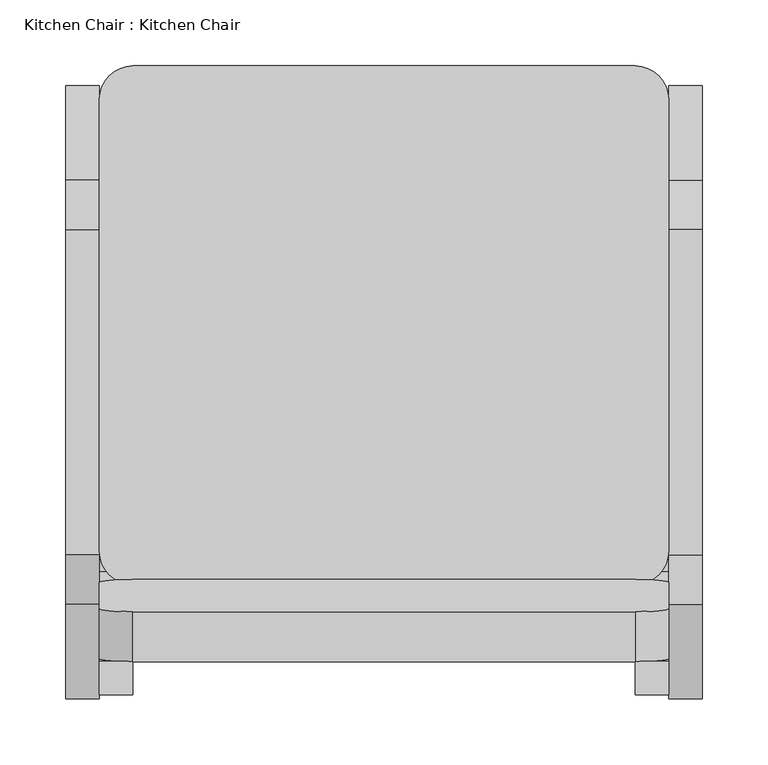
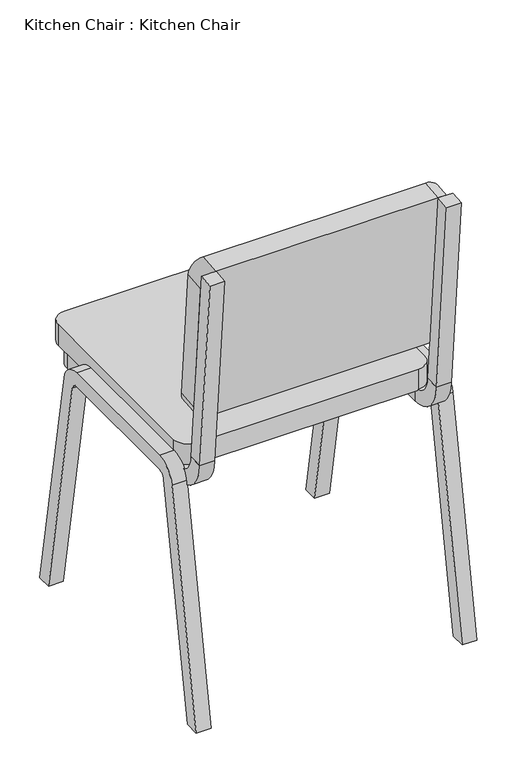
"""IFC4 building model written with IfcOpenShell, lengths in millimetres: furniture geometry, Kitchen Chair : Kitchen Chair."""

from ifc_helpers import new_model, si_unit, point, frame, frame_2d, origin, place, context, project, spatial, polyline, circle_curve, trimmed, segment, composite_curve, outline, extrude, faceted_brep, source, transform, mapped, element, save
from ifc_brep_helpers import plane_surface, cylinder_surface, revolved_surface, advanced_brep


def kitchen_chair_kitchen_chair_81e1952d(model_context):
    return source(origin(), model_context, "Body", "SolidModel", [
        advanced_brep(
        [(-190.7786165, -142.5074806, 419.1), (-190.7786165, -142.5074806, 393.7), (-190.7786165, 187.6925194, 393.7), (-190.7786165, 187.6925194, 419.1), (-216.1786165, -142.5074806, 393.7), (-216.1786165, 187.6925194, 393.7), (-178.0786165, 225.7925194, 393.7), (177.8, 225.7925194, 393.7), (215.9, 187.6925194, 393.7), (215.9, 162.2925194, 393.7), (190.5, 162.2925194, 393.7), (190.5, 187.6925194, 393.7), (177.8, 200.3925194, 393.7), (-178.0786165, 200.3925194, 393.7), (-216.1786165, -142.5074806, 419.1), (-216.1786165, 187.6925194, 419.1), (-178.0786165, 200.3925194, 419.1), (177.8, 200.3925194, 419.1), (190.5, 187.6925194, 419.1), (190.5, 162.2925194, 419.1), (215.9, 162.2925194, 419.1), (215.9, 187.6925194, 419.1), (177.8, 225.7925194, 419.1), (-178.0786165, 225.7925194, 419.1), (-190.7786165, -180.6034429, 457.7546703), (-190.7786165, -206.0050605, 456.6456117), (-216.1786165, -206.0050605, 456.6456117), (-216.1786165, -180.6034429, 457.7546703)],
        [
            (0, 1),
            (1, 2),
            (2, 3),
            (3, 0),
            (1, 4),
            (4, 5),
            (5, 6, circle_curve(frame((-178.0786165, 187.6925194, 393.7), z_axis=(0.0, 0.0, -1.0), x_axis=(-1.0, 0.0, 0.0)), 38.1)),
            (6, 7),
            (7, 8, circle_curve(frame((177.8, 187.6925194, 393.7), z_axis=(0.0, 0.0, -1.0), x_axis=(0.0, 1.0, 0.0)), 38.1)),
            (8, 9),
            (9, 10),
            (10, 11),
            (11, 12, circle_curve(frame((177.8, 187.6925194, 393.7), z_axis=(0.0, 0.0, 1.0), x_axis=(0.0, 1.0, 0.0)), 12.7)),
            (12, 13),
            (13, 2, circle_curve(frame((-178.0786165, 187.6925194, 393.7), z_axis=(0.0, 0.0, 1.0), x_axis=(-1.0, 0.0, 0.0)), 12.7)),
            (4, 14),
            (14, 15),
            (15, 5),
            (3, 16, circle_curve(frame((-178.0786165, 187.6925194, 419.1), z_axis=(0.0, 0.0, -1.0), x_axis=(-1.0, 0.0, 0.0)), 12.7)),
            (16, 17),
            (17, 18, circle_curve(frame((177.8, 187.6925194, 419.1), z_axis=(0.0, 0.0, -1.0), x_axis=(0.0, 1.0, 0.0)), 12.7)),
            (18, 19),
            (19, 20),
            (20, 21),
            (21, 22, circle_curve(frame((177.8, 187.6925194, 419.1), z_axis=(0.0, 0.0, 1.0), x_axis=(0.0, 1.0, 0.0)), 38.1)),
            (22, 23),
            (23, 15, circle_curve(frame((-178.0786165, 187.6925194, 419.1), z_axis=(0.0, 0.0, 1.0), x_axis=(-1.0, 0.0, 0.0)), 38.1)),
            (14, 0),
            (0, 24, circle_curve(frame((-190.7786165, -142.5074806, 457.2), z_axis=(-1.0, 0.0, 0.0), x_axis=(0.0, 0.0, -1.0)), 38.1)),
            (24, 25),
            (25, 1, circle_curve(frame((-190.7786165, -142.5074806, 457.2), z_axis=(1.0, 0.0, 0.0), x_axis=(0.0, 0.0, -1.0)), 63.5)),
            (25, 26),
            (26, 4, circle_curve(frame((-216.1786165, -142.5074806, 457.2), z_axis=(1.0, 0.0, 0.0), x_axis=(0.0, 0.0, -1.0)), 63.5)),
            (26, 27),
            (27, 14, circle_curve(frame((-216.1786165, -142.5074806, 457.2), z_axis=(1.0, 0.0, 0.0), x_axis=(0.0, 0.0, -1.0)), 38.1)),
            (27, 24),
            (23, 6),
            (13, 16),
            (22, 7),
            (12, 17),
            (21, 8),
            (11, 18),
            (19, 10),
            (9, 20),
        ],
        [
            plane_surface(frame((-190.7786165, 162.2925194, 419.1), z_axis=(1.0, 0.0, 0.0), x_axis=(0.0, -1.0, 0.0))),
            plane_surface(frame((-190.7786165, 162.2925194, 393.7), z_axis=(0.0, 0.0, -1.0), x_axis=(0.0, -1.0, 0.0))),
            plane_surface(frame((-216.1786165, 162.2925194, 393.7), z_axis=(-1.0, 0.0, 0.0), x_axis=(0.0, -1.0, 0.0))),
            plane_surface(frame((-216.1786165, 162.2925194, 419.1), z_axis=(0.0, 0.0, 1.0), x_axis=(0.0, -1.0, 0.0))),
            plane_surface(frame((-190.7786165, -142.5074806, 457.2), z_axis=(1.0, 0.0, 0.0), x_axis=(0.0, 0.0, -1.0))),
            cylinder_surface(frame((-203.4786165, -142.5074806, 457.2), z_axis=(-1.0, 0.0, 0.0), x_axis=(0.0, 0.0, -1.0)), 63.5),
            plane_surface(frame((-216.1786165, -142.5074806, 457.2), z_axis=(-1.0, 0.0, 0.0), x_axis=(0.0, 0.0, -1.0))),
            revolved_surface(polyline([(-216.1786165, -142.5074806, 419.09999999999997), (-190.7786165, -142.5074806, 419.09999999999997)]), (-203.4786165, -142.5074806, 457.2), (-1.0, 0.0, 0.0)),
            plane_surface(frame((-221.4391287, -193.3074806, 457.2), z_axis=(0.0, -0.04361938736534432, 0.9990482215818575), x_axis=(0.0, -0.9990482215818575, -0.04361938736534432))),
            cylinder_surface(frame((-178.0786165, 187.6925194, 406.4), z_axis=(0.0, 0.0, -1.0), x_axis=(-1.0, 0.0, 0.0)), 38.1),
            revolved_surface(polyline([(-190.7786165, 187.6925194, 393.7), (-190.7786165, 187.6925194, 419.1)]), (-178.0786165, 187.6925194, 406.4), (0.0, 0.0, -1.0)),
            plane_surface(frame((-178.0786165, 225.7925194, 419.1), z_axis=(0.0, 1.0, 0.0), x_axis=(1.0, 0.0, 0.0))),
            plane_surface(frame((-178.0786165, 200.3925194, 393.7), z_axis=(0.0, -1.0, 0.0), x_axis=(1.0, 0.0, 0.0))),
            cylinder_surface(frame((177.8, 187.6925194, 406.4), z_axis=(0.0, 0.0, -1.0), x_axis=(0.0, 1.0, 0.0)), 38.1),
            revolved_surface(polyline([(177.8, 200.3925194, 393.7), (177.8, 200.3925194, 419.1)]), (177.8, 187.6925194, 406.4), (0.0, 0.0, -1.0)),
            plane_surface(frame((203.2, 162.2925194, 406.4), z_axis=(0.0, -1.0, 0.0), x_axis=(0.0, 0.0, 1.0))),
            plane_surface(frame((215.9, 187.6925194, 419.1), z_axis=(1.0, 0.0, 0.0), x_axis=(0.0, -1.0, 0.0))),
            plane_surface(frame((190.5, 187.6925194, 393.7), z_axis=(-1.0, 0.0, 0.0), x_axis=(0.0, -1.0, 0.0))),
        ],
        [
            (0, [[1, 2, 3, 4]]),
            (1, [[-2, 5, 6, 7, 8, 9, 10, 11, 12, 13, 14, 15]]),
            (2, [[-6, 16, 17, 18]]),
            (3, [[-4, 19, 20, 21, 22, 23, 24, 25, 26, 27, -17, 28]]),
            (4, [[-1, 29, 30, 31]]),
            (5, [[-5, -31, 32, 33]]),
            (6, [[-16, -33, 34, 35]]),
            (7, [[-28, -35, 36, -29]]),
            (8, [[-30, -36, -34, -32]]),
            (9, [[-27, 37, -7, -18]]),
            (10, [[-19, -3, -15, 38]]),
            (11, [[-26, 39, -8, -37]]),
            (12, [[-20, -38, -14, 40]]),
            (13, [[-25, 41, -9, -39]]),
            (14, [[-21, -40, -13, 42]]),
            (15, [[-23, 43, -11, 44]]),
            (16, [[-24, -44, -10, -41]]),
            (17, [[-22, -42, -12, -43]]),
        ],
    ),
        faceted_brep([(-190.7786165, -180.6074806, 457.754494), (-190.7786165, -206.0074806, 456.645506), (-216.1786165, -206.0074806, 456.645506), (-216.1786165, -180.6074806, 457.754494), (-190.7786165, -210.8502198, 803.4305845), (-216.1786165, -210.8502198, 803.4305845), (-216.1786165, -236.1535651, 801.2168286), (-190.7786165, -236.1535651, 801.2168286)], [[[0, 1, 2, 3]], [[4, 5, 6, 7]], [[1, 0, 4, 7]], [[2, 1, 7, 6]], [[3, 2, 6, 5]], [[0, 3, 5, 4]]]),
        advanced_brep(
        [(190.7786165, 162.2925194, 419.1), (216.1786165, 162.2925194, 419.1), (216.1786165, 162.2925194, 393.7), (190.7786165, 162.2925194, 393.7), (190.7786165, -142.5074806, 419.1), (216.1786165, -142.5074806, 419.1), (216.1786165, -142.5074806, 393.7), (190.7786165, -142.5074806, 393.7), (216.1786165, -180.6034429, 457.7546703), (190.7786165, -180.6034429, 457.7546703), (216.1786165, -206.0050605, 456.6456117), (190.7786165, -206.0050605, 456.6456117)],
        [
            (0, 1),
            (1, 2),
            (2, 3),
            (3, 0),
            (0, 4),
            (4, 5),
            (5, 1),
            (5, 6),
            (6, 2),
            (6, 7),
            (7, 3),
            (7, 4),
            (8, 5, circle_curve(frame((216.1786165, -142.5074806, 457.2), z_axis=(1.0, 0.0, 0.0), x_axis=(0.0, 0.0, -1.0)), 38.1)),
            (4, 9, circle_curve(frame((190.7786165, -142.5074806, 457.2), z_axis=(-1.0, 0.0, 0.0), x_axis=(0.0, 0.0, -1.0)), 38.1)),
            (9, 8),
            (10, 6, circle_curve(frame((216.1786165, -142.5074806, 457.2), z_axis=(1.0, 0.0, 0.0), x_axis=(0.0, 0.0, -1.0)), 63.5)),
            (8, 10),
            (11, 7, circle_curve(frame((190.7786165, -142.5074806, 457.2), z_axis=(1.0, 0.0, 0.0), x_axis=(0.0, 0.0, -1.0)), 63.5)),
            (10, 11),
            (11, 9),
        ],
        [
            plane_surface(frame((185.5181043, 162.2925194, 406.4), z_axis=(0.0, 1.0, 0.0), x_axis=(0.0, 0.0, -1.0))),
            plane_surface(frame((190.7786165, 162.2925194, 419.1), z_axis=(0.0, 0.0, 1.0), x_axis=(0.0, -1.0, 0.0))),
            plane_surface(frame((216.1786165, 162.2925194, 419.1), z_axis=(1.0, 0.0, 0.0), x_axis=(0.0, -1.0, 0.0))),
            plane_surface(frame((216.1786165, 162.2925194, 393.7), z_axis=(0.0, 0.0, -1.0), x_axis=(0.0, -1.0, 0.0))),
            plane_surface(frame((190.7786165, 162.2925194, 393.7), z_axis=(-1.0, 0.0, 0.0), x_axis=(0.0, -1.0, 0.0))),
            revolved_surface(polyline([(190.7786165, -142.5074806, 419.09999999999997), (216.1786165, -142.5074806, 419.09999999999997)]), (203.4786165, -142.5074806, 457.2), (-1.0, 0.0, 0.0)),
            plane_surface(frame((216.1786165, -142.5074806, 457.2), z_axis=(1.0, 0.0, 0.0), x_axis=(0.0, 0.0, -1.0))),
            cylinder_surface(frame((203.4786165, -142.5074806, 457.2), z_axis=(-1.0, 0.0, 0.0), x_axis=(0.0, 0.0, -1.0)), 63.5),
            plane_surface(frame((190.7786165, -142.5074806, 457.2), z_axis=(-1.0, 0.0, 0.0), x_axis=(0.0, 0.0, -1.0))),
            plane_surface(frame((185.5181043, -193.3074806, 457.2), z_axis=(0.0, -0.04361938736534432, 0.9990482215818575), x_axis=(0.0, -0.9990482215818575, -0.04361938736534432))),
        ],
        [
            (0, [[1, 2, 3, 4]]),
            (1, [[-1, 5, 6, 7]]),
            (2, [[-2, -7, 8, 9]]),
            (3, [[-3, -9, 10, 11]]),
            (4, [[-4, -11, 12, -5]]),
            (5, [[13, -6, 14, 15]]),
            (6, [[16, -8, -13, 17]]),
            (7, [[18, -10, -16, 19]]),
            (8, [[-14, -12, -18, 20]]),
            (9, [[-20, -19, -17, -15]]),
        ],
    ),
        faceted_brep([(190.7786165, -180.6074806, 457.754494), (216.1786165, -180.6074806, 457.754494), (216.1786165, -206.0074806, 456.645506), (190.7786165, -206.0074806, 456.645506), (190.7786165, -210.8502198, 803.4305845), (190.7786165, -236.1535651, 801.2168286), (216.1786165, -236.1535651, 801.2168286), (216.1786165, -210.8502198, 803.4305845)], [[[0, 1, 2, 3]], [[4, 5, 6, 7]], [[1, 0, 4, 7]], [[2, 1, 7, 6]], [[3, 2, 6, 5]], [[0, 3, 5, 4]]]),
        extrude(outline(composite_curve([segment(trimmed(circle_curve(frame_2d((381.0, -25.4)), 25.4), [point((381.0, 0.0))], [point((406.4, -25.4))], False, "CARTESIAN"), True, "CONTINUOUS"), segment(polyline([(406.4, -25.4), (406.4, -254.0)]), True, "CONTINUOUS"), segment(trimmed(circle_curve(frame_2d((381.0, -254.0)), 25.4), [point((406.4, -254.0))], [point((381.0, -279.4))], False, "CARTESIAN"), True, "CONTINUOUS"), segment(polyline([(381.0, -279.4), (0.0, -279.4)]), True, "CONTINUOUS"), segment(trimmed(circle_curve(frame_2d((0.0, -254.0)), 25.4), [point((0.0, -279.4))], [point((-25.4, -254.0))], False, "CARTESIAN"), True, "CONTINUOUS"), segment(polyline([(-25.4, -254.0), (-25.4, -25.4)]), True, "CONTINUOUS"), segment(trimmed(circle_curve(frame_2d((0.0, -25.4)), 25.4), [point((-25.4, -25.4))], [point((0.0, 0.0))], False, "CARTESIAN"), True, "CONTINUOUS"), segment(polyline([(0.0, 0.0), (381.0, 0.0)]), True, "CONTINUOUS")], self_intersect=False)), frame((190.5, -210.9223899, 804.255492), z_axis=(0.0, 0.9961946980917454, 0.08715574274765969), x_axis=(-1.0, 0.0, 0.0)), (0.0, 0.0, 1.0), 38.1),
        extrude(outline(composite_curve([segment(trimmed(circle_curve(frame_2d((190.5, 215.9)), 25.4), [point((190.5, 241.3))], [point((215.9, 215.9))], False, "CARTESIAN"), True, "CONTINUOUS"), segment(polyline([(215.9, 215.9), (215.9, -127.0)]), True, "CONTINUOUS"), segment(trimmed(circle_curve(frame_2d((190.5, -127.0)), 25.4), [point((215.9, -127.0))], [point((190.5, -152.4))], False, "CARTESIAN"), True, "CONTINUOUS"), segment(polyline([(190.5, -152.4), (-190.5, -152.4)]), True, "CONTINUOUS"), segment(trimmed(circle_curve(frame_2d((-190.5, -127.0)), 25.4), [point((-190.5, -152.4))], [point((-215.9, -127.0))], False, "CARTESIAN"), True, "CONTINUOUS"), segment(polyline([(-215.9, -127.0), (-215.9, 215.9)]), True, "CONTINUOUS"), segment(trimmed(circle_curve(frame_2d((-190.5, 215.9)), 25.4), [point((-215.9, 215.9))], [point((-190.5, 241.3))], False, "CARTESIAN"), True, "CONTINUOUS"), segment(polyline([(-190.5, 241.3), (190.5, 241.3)]), True, "CONTINUOUS")], self_intersect=False)), frame((0.0, 0.0, 419.1), z_axis=(0.0, 0.0, 1.0), x_axis=(1.0, 0.0, 0.0)), (0.0, 0.0, 1.0), 38.1),
        extrude(outline(composite_curve([segment(trimmed(circle_curve(frame_2d((117.0712751, 400.05)), 38.1), [point((117.0712751, 438.15))], [point((154.5924505, 406.6659956))], False, "CARTESIAN"), True, "CONTINUOUS"), segment(polyline([(154.5924505, 406.6659956), (226.2986376, 0.0), (200.5068017, 0.0), (129.5783335, 402.2553319)]), True, "CONTINUOUS"), segment(trimmed(circle_curve(frame_2d((117.0712751, 400.05)), 12.7), [point((129.5783335, 402.2553319))], [point((117.0712751, 412.75))], True, "CARTESIAN"), True, "CONTINUOUS"), segment(polyline([(117.0712751, 412.75), (-129.7712751, 412.75)]), True, "CONTINUOUS"), segment(trimmed(circle_curve(frame_2d((-129.7712751, 400.05)), 12.7), [point((-129.7712751, 412.75))], [point((-142.2783335, 402.2553319))], True, "CARTESIAN"), True, "CONTINUOUS"), segment(polyline([(-142.2783335, 402.2553319), (-213.2068017, 0.0), (-238.9986376, 0.0), (-167.2924505, 406.6659956)]), True, "CONTINUOUS"), segment(trimmed(circle_curve(frame_2d((-129.7712751, 400.05)), 38.1), [point((-167.2924505, 406.6659956))], [point((-129.7712751, 438.15))], False, "CARTESIAN"), True, "CONTINUOUS"), segment(polyline([(-129.7712751, 438.15), (117.0712751, 438.15)]), True, "CONTINUOUS")], self_intersect=False)), frame((215.9, 0.0, 0.0), z_axis=(1.0, 0.0, 0.0), x_axis=(0.0, 1.0, 0.0)), (0.0, 0.0, 1.0), 25.4),
        extrude(outline(composite_curve([segment(trimmed(circle_curve(frame_2d((117.0712751, 400.05)), 38.1), [point((117.0712751, 438.15))], [point((154.5924505, 406.6659956))], False, "CARTESIAN"), True, "CONTINUOUS"), segment(polyline([(154.5924505, 406.6659956), (226.2986376, 0.0), (200.5068017, 0.0), (129.5783335, 402.2553319)]), True, "CONTINUOUS"), segment(trimmed(circle_curve(frame_2d((117.0712751, 400.05)), 12.7), [point((129.5783335, 402.2553319))], [point((117.0712751, 412.75))], True, "CARTESIAN"), True, "CONTINUOUS"), segment(polyline([(117.0712751, 412.75), (-129.7712751, 412.75)]), True, "CONTINUOUS"), segment(trimmed(circle_curve(frame_2d((-129.7712751, 400.05)), 12.7), [point((-129.7712751, 412.75))], [point((-142.2783335, 402.2553319))], True, "CARTESIAN"), True, "CONTINUOUS"), segment(polyline([(-142.2783335, 402.2553319), (-213.2068017, 0.0), (-238.9986376, 0.0), (-167.2924505, 406.6659956)]), True, "CONTINUOUS"), segment(trimmed(circle_curve(frame_2d((-129.7712751, 400.05)), 38.1), [point((-167.2924505, 406.6659956))], [point((-129.7712751, 438.15))], False, "CARTESIAN"), True, "CONTINUOUS"), segment(polyline([(-129.7712751, 438.15), (117.0712751, 438.15)]), True, "CONTINUOUS")], self_intersect=False)), frame((-241.3, 0.0, 0.0), z_axis=(1.0, 0.0, 0.0), x_axis=(0.0, 1.0, 0.0)), (0.0, 0.0, 1.0), 25.4),
    ])


if __name__ == "__main__":
    model = new_model("IFC4")
    model_context = context("Model", 3, world=origin())
    ifc_project = project(units=[si_unit("LENGTHUNIT", "METRE", prefix="MILLI")], contexts=[model_context])
    site = spatial("IfcSite", under=ifc_project)
    building = spatial("IfcBuilding", under=site)
    placement = place(None, origin())
    kitchen_chair_kitchen_chair_shape = kitchen_chair_kitchen_chair_81e1952d(model_context)
    element("IfcFurniture", 1, ObjectType="Kitchen Chair : Kitchen Chair", at=placement, inside=building, context=model_context, shape_type="MappedRepresentation", body=[
        mapped(kitchen_chair_kitchen_chair_shape, transform((0.0, 0.0, 0.0), x_axis=(1.0, 0.0, 0.0), y_axis=(0.0, 1.0, 0.0), z_axis=(0.0, 0.0, 1.0))),
    ])
    save(model, "model.ifc")
